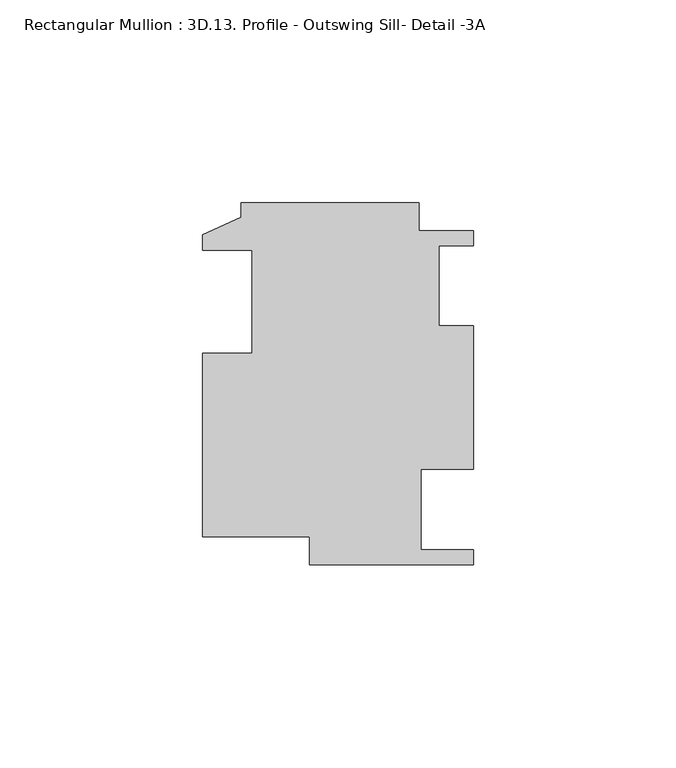
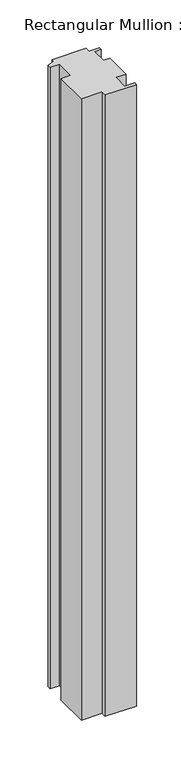
"""IFC4 building model written with IfcOpenShell, lengths in millimetres: member geometry, Rectangular Mullion : 3D.13. Profile - Outswing Sill- Detail -3A."""

from ifc_helpers import new_model, si_unit, frame, origin, place, context, project, spatial, polyline, outline, extrude, source, transform, mapped, element, save


def rectangular_mullion_3d_13_profile_outswing_sill_detail_3a_152f4470(model_context):
    return source(origin(), model_context, "Body", "SweptSolid", [
        extrude(outline(polyline([(-57.4548, 46.3420083), (-13.4874, 46.3420083), (-13.4874, 39.4332083), (0.0, 39.4332083), (0.0, 35.6994083), (-8.4793826, 35.6994083), (-8.4793826, 15.8620083), (0.0, 15.8620083), (0.0, -19.5455917), (-12.9704259, -19.5455917), (-12.9704259, -39.3829917), (0.0, -39.3829917), (0.0, -43.1167917), (-40.4876, -43.1167917), (-40.4876, -36.2079917), (-66.9798, -36.2079917), (-66.9798, 9.1056083), (-54.7624, 9.1056083), (-54.7624, 34.5056083), (-66.9798, 34.5056083), (-66.9798, 38.4172083), (-57.4548, 42.7352083), (-57.4548, 46.3420083)])), frame((0.0, 0.0, -847.6488), z_axis=(0.0, 0.0, 1.0), x_axis=(1.0, 0.0, 0.0)), (0.0, 0.0, 1.0), 847.6488),
    ])


if __name__ == "__main__":
    model = new_model("IFC4")
    model_context = context("Model", 3, world=origin())
    ifc_project = project(units=[si_unit("LENGTHUNIT", "METRE", prefix="MILLI")], contexts=[model_context])
    site = spatial("IfcSite", under=ifc_project)
    building = spatial("IfcBuilding", under=site)
    placement = place(None, origin())
    rectangular_mullion_3d_13_profile_outswing_sill_detail_3a_shape = rectangular_mullion_3d_13_profile_outswing_sill_detail_3a_152f4470(model_context)
    element("IfcMember", 1, ObjectType="Rectangular Mullion : 3D.13. Profile - Outswing Sill- Detail -3A", at=placement, inside=building, context=model_context, shape_type="MappedRepresentation", body=[
        mapped(rectangular_mullion_3d_13_profile_outswing_sill_detail_3a_shape, transform((0.0, 0.0, 0.0), x_axis=(1.0, 0.0, 0.0), y_axis=(0.0, 1.0, 0.0), z_axis=(0.0, 0.0, 1.0))),
    ])
    save(model, "model.ifc")
